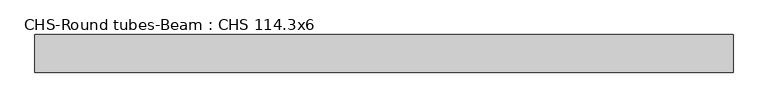
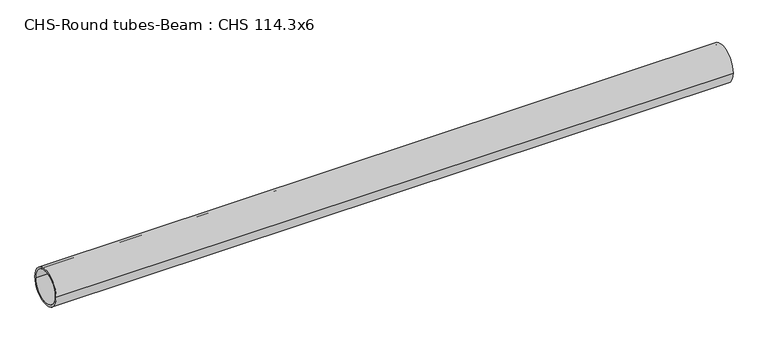
"""IFC4 building model written with IfcOpenShell, lengths in millimetres: beam geometry, CHS-Round tubes-Beam : CHS 114.3x6."""

from ifc_helpers import new_model, si_unit, point, frame, origin, origin_2d, place, context, project, spatial, circle_curve, trimmed, segment, composite_curve, outline, extrude, source, transform, mapped, element, save


def chs_round_tubes_beam_chs_114_3x6_c3018e0a(model_context):
    return source(origin(), model_context, "Body", "SweptSolid", [
        extrude(outline(composite_curve([segment(trimmed(circle_curve(origin_2d(), 57.15), [point((57.15, 0.0))], [point((-57.15, 0.0))], False, "CARTESIAN"), True, "CONTINUOUS"), segment(trimmed(circle_curve(origin_2d(), 57.15), [point((-57.15, 0.0))], [point((57.15, 0.0))], False, "CARTESIAN"), True, "CONTINUOUS")], self_intersect=False), holes=[composite_curve([segment(trimmed(circle_curve(origin_2d(), 51.15), [point((51.15, 0.0))], [point((-51.15, 0.0))], True, "CARTESIAN"), True, "CONTINUOUS"), segment(trimmed(circle_curve(origin_2d(), 51.15), [point((-51.15, 0.0))], [point((51.15, 0.0))], True, "CARTESIAN"), True, "CONTINUOUS")], self_intersect=False)]), frame((-1029.2427904, 0.0, 0.0), z_axis=(1.0, 0.0, 0.0), x_axis=(0.0, 1.0, 0.0)), (0.0, 0.0, 1.0), 2118.6285354),
    ])


if __name__ == "__main__":
    model = new_model("IFC4")
    model_context = context("Model", 3, world=origin())
    ifc_project = project(units=[si_unit("LENGTHUNIT", "METRE", prefix="MILLI")], contexts=[model_context])
    site = spatial("IfcSite", under=ifc_project)
    building = spatial("IfcBuilding", under=site)
    placement = place(None, origin())
    chs_round_tubes_beam_chs_114_3x6_shape = chs_round_tubes_beam_chs_114_3x6_c3018e0a(model_context)
    element("IfcBeam", 1, ObjectType="CHS-Round tubes-Beam : CHS 114.3x6", at=placement, inside=building, context=model_context, shape_type="MappedRepresentation", body=[
        mapped(chs_round_tubes_beam_chs_114_3x6_shape, transform((0.0, 0.0, 0.0), x_axis=(1.0, 0.0, 0.0), y_axis=(0.0, 1.0, 0.0), z_axis=(0.0, 0.0, 1.0))),
    ])
    save(model, "model.ifc")
